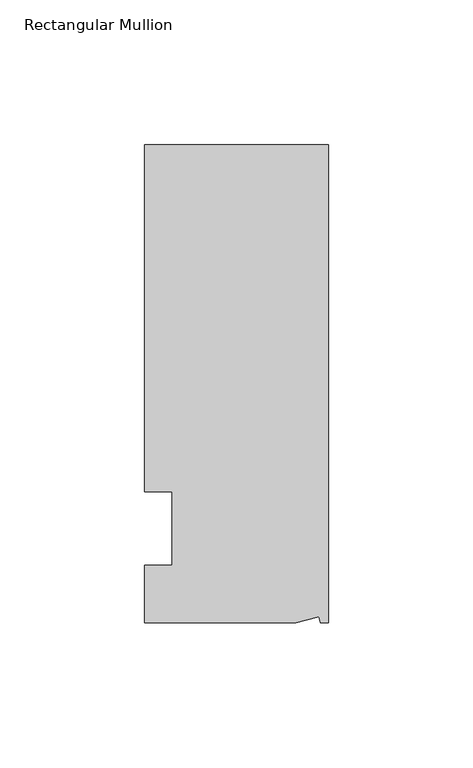
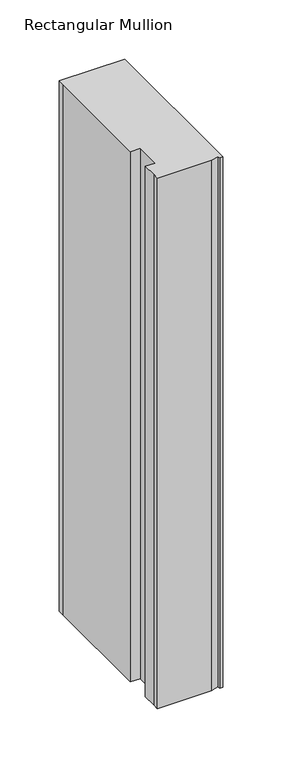
"""IFC4 building model written with IfcOpenShell, lengths in millimetres: member geometry, Rectangular Mullion."""

from ifc_helpers import new_model, si_unit, frame, origin, place, context, project, spatial, polyline, outline, extrude, source, transform, mapped, element, save


def rectangular_mullion_b3dae955(model_context):
    return source(origin(), model_context, "Body", "SweptSolid", [
        extrude(outline(polyline([(0.0, 132.5561012), (0.0, -32.5438988), (-2.7616541, -32.5438988), (-3.3341886, -30.4622958), (-11.121847, -32.5438988), (-63.5, -32.5438988), (-63.5, -26.1938988), (-63.5, -12.5945801), (-53.975, -12.5945801), (-53.975, 12.8054199), (-63.5, 12.8054199), (-63.5, 126.2061012), (-63.5, 132.5561012), (0.0, 132.5561012)])), frame((0.0, 0.0, -545.7391064), z_axis=(0.0, 0.0, 1.0), x_axis=(1.0, 0.0, 0.0)), (0.0, 0.0, 1.0), 545.7391064),
    ])


if __name__ == "__main__":
    model = new_model("IFC4")
    model_context = context("Model", 3, world=origin())
    ifc_project = project(units=[si_unit("LENGTHUNIT", "METRE", prefix="MILLI")], contexts=[model_context])
    site = spatial("IfcSite", under=ifc_project)
    building = spatial("IfcBuilding", under=site)
    placement = place(None, origin())
    rectangular_mullion_shape = rectangular_mullion_b3dae955(model_context)
    element("IfcMember", 1, ObjectType="Rectangular Mullion", at=placement, inside=building, context=model_context, shape_type="MappedRepresentation", body=[
        mapped(rectangular_mullion_shape, transform((0.0, 0.0, 0.0), x_axis=(1.0, 0.0, 0.0), y_axis=(0.0, 1.0, 0.0), z_axis=(0.0, 0.0, 1.0))),
    ])
    save(model, "model.ifc")
